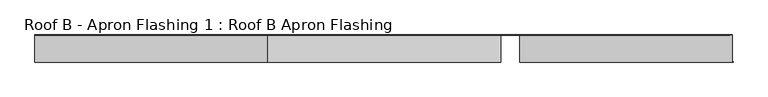
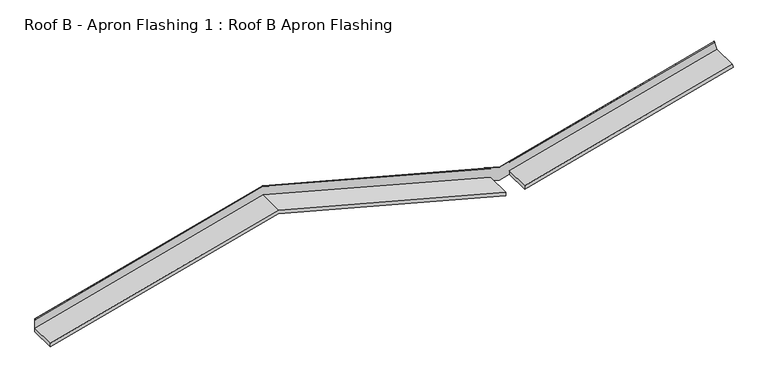
"""IFC4 building model written with IfcOpenShell, lengths in millimetres: proxy geometry, Roof B - Apron Flashing 1 : Roof B Apron Flashing."""

from ifc_helpers import new_model, si_unit, frame, origin, place, context, project, spatial, circle_curve, ellipse_curve, source, transform, mapped, element, save
from ifc_brep_helpers import plane_surface, cylinder_surface, advanced_brep


def roof_b_apron_flashing_1_roof_b_apron_flashing_9aa2c71c(model_context):
    return source(origin(), model_context, "Body", "AdvancedBrep", [
        advanced_brep(
        [(7217.9826273, -390.779501, 3936.6815328), (7228.3353891, -390.779501, 3898.0444998), (7228.3353891, -388.6887782, 3898.0444998), (7218.6092842, -388.6887782, 3934.3428176), (7218.6092842, -85.5, 3934.3428176), (7189.8139585, -85.5, 4041.808436), (7189.7201206, -86.7239884, 4042.1586439), (7191.2306039, -90.5139698, 4036.5214433), (7191.3715669, -89.6752992, 4035.9953624), (7190.1060629, -86.5, 4040.7182876), (7217.9826273, -86.5, 3936.6815328), (2000.0, -390.779501, 3952.0803694), (2000.0, -85.5, 3952.0803694), (4715.0, -85.5, 3224.5983119), (4715.0, -86.5, 3224.5983119), (4615.6397326, -86.5, 3251.2218154), (4615.6397326, -390.779501, 3251.2218154), (2000.0, -86.7239884, 4106.5414436), (2000.0, -90.5139698, 4100.4995101), (4615.6397326, -90.5139698, 3399.6409561), (4615.6397326, -86.7239884, 3405.6828895), (2000.0, -86.5, 3993.4914166), (2000.0, -390.779501, 3993.4914166), (4615.6397326, -390.779501, 3292.6328626), (4615.6397326, -86.5, 3292.6328626), (-617.8589424, -390.779501, 3250.6271799), (-617.8589424, -85.5, 3250.6271799), (-617.8589424, -86.7239884, 3405.0882541), (-617.8589424, -90.5139698, 3399.0463206), (-617.8589424, -86.5, 3292.0382271), (-617.8589424, -390.779501, 3292.0382271), (4832.4706976, -390.779501, 3297.4855377), (4832.4706976, -390.779501, 3256.0744905), (4832.4706976, -86.5, 3256.0744905), (4834.7027583, -85.5, 3256.6725694), (4834.7027583, -388.6887782, 3256.6725694), (-617.8589424, -85.5, 3404.7129024), (2000.0, -85.5, 4106.1660919), (4715.0, -85.5, 3378.6840344), (4834.7027583, -85.5, 3295.5769892), (4832.4706976, -86.7239884, 3410.5355647), (4832.4706976, -90.5139698, 3404.4936312), (4832.4706976, -86.5, 3408.9917954), (4832.4706976, -86.5, 3410.7561798), (4715.0, -86.5, 3379.2800012), (4615.6397326, -86.5, 3405.9035047), (4615.6397326, -86.5, 3404.1391203), (2000.0, -86.5, 4104.9976743), (-617.8589424, -86.5, 3403.5444848), (4832.4706976, -86.5, 3297.4855377), (4832.4706976, -89.6752992, 3403.9297794), (2000.0, -89.6752992, 4099.9356583), (4615.6397326, -89.6752992, 3399.0771043), (-617.8589424, -89.6752992, 3398.4824688), (4834.7027583, -388.6887782, 3295.5769892)],
        [
            (0, 1),
            (1, 2),
            (2, 3),
            (3, 4),
            (4, 5),
            (5, 6, circle_curve(frame((7189.8139585, -86.1656921, 4041.808436), z_axis=(0.9659258262890694, 0.0, 0.2588190451025169), x_axis=(-0.2588190451025169, 0.0, 0.9659258262890694)), 0.6656921)),
            (6, 7),
            (7, 8, circle_curve(frame((7191.3010854, -90.0946345, 4036.2584028), z_axis=(0.9659258262890694, 0.0, 0.2588190451025169), x_axis=(-0.2588190451025169, 0.0, 0.9659258262890694)), 0.5)),
            (8, 9),
            (9, 10),
            (10, 0),
            (11, 12),
            (12, 13),
            (13, 14),
            (14, 15),
            (15, 16),
            (16, 11),
            (17, 18),
            (18, 19),
            (19, 20),
            (20, 17),
            (21, 22),
            (22, 23),
            (23, 24),
            (24, 21),
            (11, 25),
            (25, 26),
            (26, 12),
            (17, 27),
            (27, 28),
            (28, 18),
            (21, 29),
            (29, 30),
            (30, 22),
            (0, 31),
            (31, 32),
            (32, 1),
            (16, 23),
            (30, 25),
            (32, 33),
            (33, 14),
            (13, 34),
            (34, 35),
            (35, 2),
            (26, 36),
            (36, 37),
            (37, 38),
            (38, 5),
            (4, 39),
            (39, 34),
            (6, 40),
            (40, 41),
            (41, 7),
            (9, 42),
            (42, 43),
            (43, 44),
            (44, 45),
            (45, 46),
            (46, 47),
            (47, 48),
            (48, 29),
            (24, 15),
            (33, 49),
            (49, 10),
            (49, 31),
            (38, 44, ellipse_curve(frame((4715.0, -86.1656921, 3378.6840344), z_axis=(1.0, 0.0, 0.0), x_axis=(0.0, 0.0, 1.0)), 0.6891751, 0.6656921)),
            (43, 40, ellipse_curve(frame((4832.4706976, -86.1656921, 3410.160213), z_axis=(1.0, 0.0, 0.0), x_axis=(0.0, 0.0, 1.0)), 0.6891751, 0.6656921)),
            (41, 50, ellipse_curve(frame((4832.4706976, -90.0946345, 3404.2117053), z_axis=(1.0, 0.0, 0.0), x_axis=(0.0, 0.0, 1.0)), 0.5176381, 0.5)),
            (50, 8),
            (50, 42),
            (37, 17, ellipse_curve(frame((2000.0, -86.1656921, 4106.1660919), z_axis=(1.0, 0.0, 0.0), x_axis=(0.0, 0.0, -1.0)), 0.6891751, 0.6656921)),
            (20, 45, ellipse_curve(frame((4615.6397326, -86.1656921, 3405.3075379), z_axis=(-1.0, 0.0, 0.0), x_axis=(0.0, 0.0, -1.0)), 0.6891751, 0.6656921)),
            (18, 51, ellipse_curve(frame((2000.0, -90.0946345, 4100.2175842), z_axis=(1.0, 0.0, 0.0), x_axis=(0.0, 0.0, -1.0)), 0.5176381, 0.5)),
            (51, 52),
            (52, 19, ellipse_curve(frame((4615.6397326, -90.0946345, 3399.3590302), z_axis=(-1.0, 0.0, 0.0), x_axis=(0.0, 0.0, -1.0)), 0.5176381, 0.5)),
            (51, 47),
            (46, 52),
            (36, 27, ellipse_curve(frame((-617.8589424, -86.1656921, 3404.7129024), z_axis=(1.0, 0.0, 0.0), x_axis=(0.0, 0.0, 1.0)), 0.6891751, 0.6656921)),
            (28, 53, ellipse_curve(frame((-617.8589424, -90.0946345, 3398.7643947), z_axis=(1.0, 0.0, 0.0), x_axis=(0.0, 0.0, 1.0)), 0.5176381, 0.5)),
            (53, 51),
            (53, 48),
            (35, 54),
            (54, 3),
            (54, 39),
        ],
        [
            plane_surface(frame((7245.7256649, -95.0, 3833.1431071), z_axis=(0.9659258262890694, 0.0, 0.2588190451025169), x_axis=(0.0, 1.0, 0.0))),
            plane_surface(frame((4715.0, -390.779501, 3224.5983119), z_axis=(-0.2588190451025201, 0.0, -0.9659258262890684), x_axis=(-0.9659258262890684, 0.0, 0.2588190451025201))),
            plane_surface(frame((4715.0, -86.7239884, 3379.0593861), z_axis=(0.14096295496814815, -0.838670567945422, 0.5260809099261741), x_axis=(-0.9659258262890685, 0.0, 0.2588190451025201))),
            plane_surface(frame((4715.0, -86.5, 3266.0093592), z_axis=(0.2588190451025201, 0.0, 0.9659258262890684), x_axis=(-0.9659258262890684, 0.0, 0.2588190451025201))),
            plane_surface(frame((2000.0, -390.779501, 3952.0803694), z_axis=(0.25881904510251996, 0.0, -0.9659258262890685), x_axis=(-0.9659258262890685, 0.0, -0.25881904510251996))),
            plane_surface(frame((2000.0, -86.7239884, 4106.5414436), z_axis=(-0.1409629549681481, -0.8386705679454222, 0.526080909926174), x_axis=(-0.9659258262890685, 0.0, -0.25881904510252))),
            plane_surface(frame((2000.0, -86.5, 3993.4914166), z_axis=(-0.2588190451025201, 0.0, 0.9659258262890684), x_axis=(-0.9659258262890684, 0.0, -0.2588190451025201))),
            plane_surface(frame((7217.9826273, -390.779501, 3936.6815328), z_axis=(0.0, -1.0000000000000002, 0.0), x_axis=(-0.9659258262890694, 0.0, -0.2588190451025168))),
            plane_surface(frame((7228.3353891, -390.779501, 3898.0444998), z_axis=(0.258819045102517, 0.0, -0.9659258262890693), x_axis=(-0.9659258262890693, 0.0, -0.258819045102517))),
            plane_surface(frame((7228.3353891, -85.5, 3898.0444998), z_axis=(0.0, 1.0, 0.0), x_axis=(-0.9659258262890693, 0.0, -0.258819045102517))),
            plane_surface(frame((7189.7201206, -86.7239884, 4042.1586439), z_axis=(-0.1409629549681465, -0.8386705679454222, 0.5260809099261744), x_axis=(-0.9659258262890693, 0.0, -0.25881904510251713))),
            plane_surface(frame((7190.1060629, -86.5, 4040.7182876), z_axis=(0.0, -1.0, 0.0), x_axis=(-0.9659258262890693, 0.0, -0.258819045102517))),
            plane_surface(frame((7217.9826273, -86.5, 3936.6815328), z_axis=(-0.2588190451025169, 0.0, 0.9659258262890694), x_axis=(-0.9659258262890694, 0.0, -0.2588190451025169))),
            cylinder_surface(frame((7189.8139585, -86.1656921, 4041.808436), z_axis=(0.9659258262890694, 0.0, 0.2588190451025169), x_axis=(-0.2588190451025169, 0.0, 0.9659258262890694)), 0.6656921),
            cylinder_surface(frame((7191.3010854, -90.0946345, 4036.2584028), z_axis=(0.9659258262890694, 0.0, 0.2588190451025169), x_axis=(-0.2588190451025169, 0.0, 0.9659258262890694)), 0.5),
            plane_surface(frame((7191.3715669, -89.6752992, 4035.9953624), z_axis=(0.1409629549681444, 0.8386705679454272, -0.5260809099261671), x_axis=(-0.9659258262890694, 0.0, -0.2588190451025169))),
            cylinder_surface(frame((4770.9117064, -86.1656921, 3363.7025379), z_axis=(0.9659258262890684, 0.0, -0.2588190451025201), x_axis=(0.2588190451025201, 0.0, 0.9659258262890684)), 0.6656921),
            cylinder_surface(frame((4769.4245795, -90.0946345, 3358.1525047), z_axis=(0.9659258262890684, 0.0, -0.2588190451025201), x_axis=(0.2588190451025201, 0.0, 0.9659258262890684)), 0.5),
            plane_surface(frame((4715.0, -89.6752992, 3372.4536009), z_axis=(-0.14096295496814612, 0.8386705679454273, -0.5260809099261665), x_axis=(-0.9659258262890685, 0.0, 0.2588190451025201))),
            cylinder_surface(frame((1944.0882936, -86.1656921, 4091.1845953), z_axis=(0.9659258262890684, 0.0, 0.2588190451025201), x_axis=(-0.2588190451025201, 0.0, 0.9659258262890684)), 0.6656921),
            cylinder_surface(frame((1945.5754205, -90.0946345, 4085.6345621), z_axis=(0.9659258262890684, 0.0, 0.2588190451025201), x_axis=(-0.2588190451025201, 0.0, 0.9659258262890684)), 0.5),
            plane_surface(frame((2000.0, -89.6752992, 4099.9356583), z_axis=(0.1409629549681462, 0.838670567945427, -0.5260809099261665), x_axis=(-0.9659258262890684, 0.0, -0.25881904510252024))),
            plane_surface(frame((4832.4706976, -795.5629082, 3660.9894786), z_axis=(-1.0, 0.0, 0.0), x_axis=(0.0, 0.0, -1.0))),
            plane_surface(frame((4615.6397326, -86.5, 3660.9894786), z_axis=(1.0, 0.0, 0.0), x_axis=(0.0, 0.0, -1.0))),
            plane_surface(frame((-617.8589424, -760.5629082, 3739.5229882), z_axis=(-1.0, 0.0, 0.0), x_axis=(0.0, 0.0, -1.0))),
            plane_surface(frame((4834.7027583, -388.6887782, 3095.5769892), z_axis=(0.0, 1.0, 0.0), x_axis=(1.0, 0.0, 0.0))),
            plane_surface(frame((8214.7027583, -388.6887782, 4201.2452596), z_axis=(0.25881904510251846, 0.0, -0.965925826289069), x_axis=(0.0, 1.0, 0.0))),
            plane_surface(frame((4834.7027583, -388.6887782, 3295.5769892), z_axis=(1.0, 0.0, 0.0), x_axis=(0.0, 1.0, 0.0))),
        ],
        [
            (0, [[1, 2, 3, 4, 5, 6, 7, 8, 9, 10, 11]]),
            (1, [[12, 13, 14, 15, 16, 17]]),
            (2, [[18, 19, 20, 21]]),
            (3, [[22, 23, 24, 25]]),
            (4, [[-12, 26, 27, 28]]),
            (5, [[-18, 29, 30, 31]]),
            (6, [[-22, 32, 33, 34]]),
            (7, [[-1, 35, 36, 37]]),
            (7, [[-17, 38, -23, -34, 39, -26]]),
            (8, [[-37, 40, 41, -14, 42, 43, 44, -2]]),
            (9, [[-13, -28, 45, 46, 47, 48, -5, 49, 50, -42]]),
            (10, [[-7, 51, 52, 53]]),
            (11, [[-10, 54, 55, 56, 57, 58, 59, 60, 61, -32, -25, 62, -15, -41, 63, 64]]),
            (12, [[-11, -64, 65, -35]]),
            (13, [[-6, -48, 66, -56, 67, -51]]),
            (14, [[-8, -53, 68, 69]]),
            (15, [[-9, -69, 70, -54]]),
            (16, [[-47, 71, -21, 72, -57, -66]]),
            (17, [[73, 74, 75, -19]]),
            (18, [[76, -59, 77, -74]]),
            (19, [[-71, -46, 78, -29]]),
            (20, [[-73, -31, 79, 80]]),
            (21, [[-76, -80, 81, -60]]),
            (22, [[-63, -40, -36, -65]]),
            (22, [[-55, -70, -68, -52, -67]]),
            (23, [[-62, -24, -38, -16]]),
            (23, [[-58, -72, -20, -75, -77]]),
            (24, [[-27, -39, -33, -61, -81, -79, -30, -78, -45]]),
            (25, [[82, 83, -3, -44]]),
            (26, [[-83, 84, -49, -4]]),
            (27, [[-82, -43, -50, -84]]),
        ],
    ),
    ])


if __name__ == "__main__":
    model = new_model("IFC4")
    model_context = context("Model", 3, world=origin())
    ifc_project = project(units=[si_unit("LENGTHUNIT", "METRE", prefix="MILLI")], contexts=[model_context])
    site = spatial("IfcSite", under=ifc_project)
    building = spatial("IfcBuilding", under=site)
    placement = place(None, origin())
    roof_b_apron_flashing_1_roof_b_apron_flashing_shape = roof_b_apron_flashing_1_roof_b_apron_flashing_9aa2c71c(model_context)
    element("IfcBuildingElementProxy", 1, Name="Roof B - Apron Flashing 1 : Roof B Apron Flashing", ObjectType="Roof B - Apron Flashing 1 : Roof B Apron Flashing", at=placement, inside=building, context=model_context, shape_type="MappedRepresentation", body=[
        mapped(roof_b_apron_flashing_1_roof_b_apron_flashing_shape, transform((0.0, 0.0, 0.0), x_axis=(1.0, 0.0, 0.0), y_axis=(0.0, 1.0, 0.0), z_axis=(0.0, 0.0, 1.0))),
    ])
    save(model, "model.ifc")
